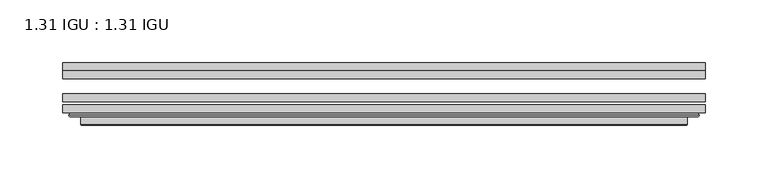
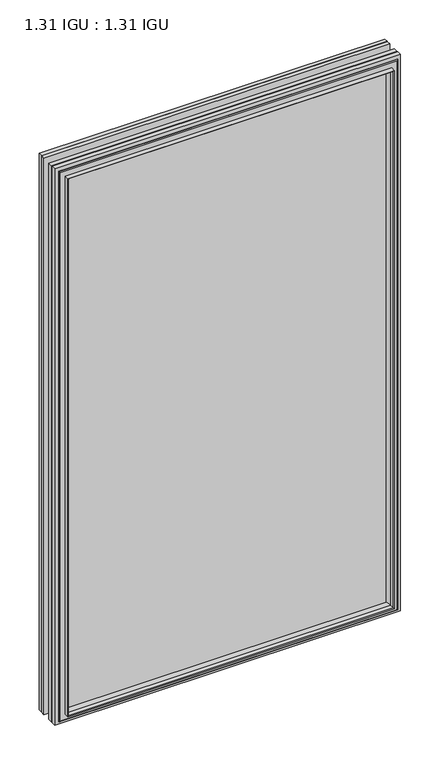
"""IFC4 building model written with IfcOpenShell, lengths in millimetres: plate geometry, 1.31 IGU : 1.31 IGU."""

from ifc_helpers import new_model, si_unit, frame, origin, place, context, project, spatial, polyline, ellipse_curve, outline, extrude, faceted_brep, source, transform, mapped, element, save
from ifc_brep_helpers import plane_surface, cylinder_surface, advanced_brep


def plate_1_31_igu_1_31_igu_44bf14a8(model_context):
    return source(origin(), model_context, "Body", "SolidModel", [
        extrude(outline(polyline([(255.601675, -66.4725937), (255.601675, -72.8225938), (-255.5875, -72.8225938), (-255.5875, -66.4725937), (255.601675, -66.4725937)])), frame((0.0, 0.0, -14.2875), z_axis=(0.0, 0.0, 1.0), x_axis=(1.0, 0.0, 0.0)), (0.0, 0.0, 1.0), 869.9537979),
        extrude(outline(polyline([(-255.5875, -81.4585938), (-255.5875, -75.1080887), (255.601675, -75.1080887), (255.601675, -81.4585938), (-255.5875, -81.4585938)])), frame((0.0, 0.0, -14.2875), z_axis=(0.0, 0.0, 1.0), x_axis=(1.0, 0.0, 0.0)), (0.0, 0.0, 1.0), 869.9537979),
        extrude(outline(polyline([(255.601675, -48.1337937), (255.601675, -54.4837938), (-255.5875, -54.4837938), (-255.5875, -48.1337937), (255.601675, -48.1337937)])), frame((0.0, 0.0, -14.2875), z_axis=(0.0, 0.0, 1.0), x_axis=(1.0, 0.0, 0.0)), (0.0, 0.0, 1.0), 869.9537979),
        faceted_brep([(-241.2946902, -41.7837938, 841.3696902), (-240.4022559, -48.1337937, 840.4772559), (-240.4022559, -48.1337937, 0.8977441), (-241.2946902, -41.7837938, 0.0053098), (-255.6002, -48.1337937, 855.6752), (-255.6002, -41.7837938, 855.6752), (-255.6002, -41.7837938, -14.3002), (-255.6002, -48.1337937, -14.3002), (240.4022559, -48.1337937, 0.8977441), (241.2946902, -41.7837938, 0.0053098), (255.6002, -41.7837938, -14.3002), (255.6002, -48.1337937, -14.3002), (240.4022559, -48.1337937, 840.4772559), (241.2946902, -41.7837938, 841.3696902), (255.6002, -41.7837938, 855.6752), (255.6002, -48.1337937, 855.6752)], [[[0, 1, 2, 3]], [[4, 5, 6, 7]], [[3, 2, 8, 9]], [[7, 6, 10, 11]], [[9, 8, 12, 13]], [[11, 10, 14, 15]], [[7, 11, 15, 4], [1, 12, 8, 2]], [[13, 12, 1, 0]], [[5, 14, 10, 6], [3, 9, 13, 0]], [[15, 14, 5, 4]]]),
        advanced_brep(
        [(-249.6986349, -84.6335938, 849.7736349), (-250.7004244, -83.4482604, 850.7754244), (-250.7004244, -83.4482604, -9.4004244), (-249.6986349, -84.6335938, -8.3986349), (-241.2945784, -91.0948368, 841.3695784), (-241.2945784, -84.6335938, 841.3695784), (-241.2945784, -84.6335938, 0.0054216), (-241.2945784, -91.0948368, 0.0054216), (-240.3039217, -90.6958619, 840.3789217), (-240.3039217, -90.6958619, 0.9960783), (-239.2718939, -85.2986307, 839.3468939), (-239.2718939, -85.2986307, 2.0281061), (-234.3370621, -81.4585938, 834.4120621), (-234.3370621, -81.4585938, 6.9629379), (-248.346219, -81.4585938, 848.421219), (-248.346219, -81.4585938, -7.046219), (250.7004244, -83.4482604, -9.4004244), (249.6986349, -84.6335938, -8.3986349), (241.2945784, -84.6335938, 0.0054216), (241.2945784, -91.0948368, 0.0054216), (240.3039217, -90.6958619, 0.9960783), (239.2718939, -85.2986307, 2.0281061), (234.3370621, -81.4585938, 6.9629379), (248.346219, -81.4585938, -7.046219), (250.7004244, -83.4482604, 850.7754244), (249.6986349, -84.6335938, 849.7736349), (241.2945784, -84.6335938, 841.3695784), (241.2945784, -91.0948368, 841.3695784), (240.3039217, -90.6958619, 840.3789217), (239.2718939, -85.2986307, 839.3468939), (234.3370621, -81.4585938, 834.4120621), (248.346219, -81.4585938, 848.421219)],
        [
            (0, 1, ellipse_curve(frame((-249.6986349, -83.6175938, 849.7736349), z_axis=(-0.7071067811865475, 0.0, -0.7071067811865475), x_axis=(-0.7071067811865474, 0.0, 0.7071067811865476)), 1.436841, 1.016)),
            (1, 2),
            (2, 3, ellipse_curve(frame((-249.6986349, -83.6175938, -8.3986349), z_axis=(-0.7071067811865475, 0.0, 0.7071067811865475), x_axis=(0.7071067811865474, 0.0, 0.7071067811865476)), 1.436841, 1.016)),
            (3, 0),
            (4, 5),
            (5, 6),
            (6, 7),
            (7, 4),
            (8, 4, ellipse_curve(frame((-240.9276219, -90.5766015, 841.0026219), z_axis=(-0.7071067811865475, 0.0, -0.7071067811865475), x_axis=(-0.7071067811865474, 0.0, 0.7071067811865476)), 0.8980256, 0.635)),
            (7, 9, ellipse_curve(frame((-240.9276219, -90.5766015, 0.3723781), z_axis=(-0.7071067811865475, 0.0, 0.7071067811865475), x_axis=(0.7071067811865474, 0.0, 0.7071067811865476)), 0.8980256, 0.635)),
            (9, 8),
            (10, 8),
            (9, 11),
            (11, 10),
            (12, 10),
            (11, 13),
            (13, 12),
            (1, 14, ellipse_curve(frame((-248.346219, -83.8461938, 848.421219), z_axis=(-0.7071067811865475, 0.0, -0.7071067811865475), x_axis=(-0.7071067811865474, 0.0, 0.7071067811865476)), 3.3765763, 2.3876)),
            (14, 15),
            (15, 2, ellipse_curve(frame((-248.346219, -83.8461938, -7.046219), z_axis=(-0.7071067811865475, 0.0, 0.7071067811865475), x_axis=(0.7071067811865474, 0.0, 0.7071067811865476)), 3.3765763, 2.3876)),
            (2, 16),
            (16, 17, ellipse_curve(frame((249.6986349, -83.6175938, -8.3986349), z_axis=(-0.7071067811865475, 0.0, -0.7071067811865475), x_axis=(-0.7071067811865476, 0.0, 0.7071067811865474)), 1.436841, 1.016)),
            (17, 3),
            (6, 18),
            (18, 19),
            (19, 7),
            (19, 20, ellipse_curve(frame((240.9276219, -90.5766015, 0.3723781), z_axis=(-0.7071067811865475, 0.0, -0.7071067811865475), x_axis=(-0.7071067811865476, 0.0, 0.7071067811865474)), 0.8980256, 0.635)),
            (20, 9),
            (20, 21),
            (21, 11),
            (21, 22),
            (22, 13),
            (15, 23),
            (23, 16, ellipse_curve(frame((248.346219, -83.8461938, -7.046219), z_axis=(-0.7071067811865475, 0.0, -0.7071067811865475), x_axis=(-0.7071067811865476, 0.0, 0.7071067811865474)), 3.3765763, 2.3876)),
            (16, 24),
            (24, 25, ellipse_curve(frame((249.6986349, -83.6175938, 849.7736349), z_axis=(0.7071067811865475, 0.0, -0.7071067811865475), x_axis=(-0.7071067811865474, 0.0, -0.7071067811865476)), 1.436841, 1.016)),
            (25, 17),
            (18, 26),
            (26, 27),
            (27, 19),
            (27, 28, ellipse_curve(frame((240.9276219, -90.5766015, 841.0026219), z_axis=(0.7071067811865475, 0.0, -0.7071067811865475), x_axis=(-0.7071067811865474, 0.0, -0.7071067811865476)), 0.8980256, 0.635)),
            (28, 20),
            (28, 29),
            (29, 21),
            (29, 30),
            (30, 22),
            (23, 31),
            (31, 24, ellipse_curve(frame((248.346219, -83.8461938, 848.421219), z_axis=(0.7071067811865475, 0.0, -0.7071067811865475), x_axis=(-0.7071067811865474, 0.0, -0.7071067811865476)), 3.3765763, 2.3876)),
            (24, 1),
            (0, 25),
            (5, 26),
            (4, 27),
            (8, 28),
            (10, 29),
            (12, 30),
            (14, 31),
        ],
        [
            cylinder_surface(frame((-249.6986349, -83.6175938, 873.125), z_axis=(0.0, 0.0, 1.0), x_axis=(-1.0, 0.0, 0.0)), 1.016),
            plane_surface(frame((-241.2945784, -84.6335938, 841.3695784), z_axis=(-1.0, 0.0, 0.0), x_axis=(0.0, 0.0, -1.0))),
            cylinder_surface(frame((-240.9276219, -90.5766015, 873.125), z_axis=(0.0, 0.0, 1.0), x_axis=(-1.0, 0.0, 0.0)), 0.635),
            plane_surface(frame((-240.3039217, -90.6958619, 840.3789217), z_axis=(0.9822050625507717, -0.1878116479338675, 0.0), x_axis=(0.0, 0.0, -1.0))),
            plane_surface(frame((-239.2718939, -85.2986307, 839.3468939), z_axis=(0.6141233906514726, -0.7892100234124875, 0.0), x_axis=(0.0, 0.0, -1.0))),
            cylinder_surface(frame((-248.346219, -83.8461938, 873.125), z_axis=(0.0, 0.0, 1.0), x_axis=(-1.0, 0.0, 0.0)), 2.3876),
            cylinder_surface(frame((-273.05, -83.6175938, -8.3986349), z_axis=(-1.0, 0.0, 0.0), x_axis=(0.0, 0.0, -1.0)), 1.016),
            plane_surface(frame((-241.2945784, -84.6335938, 0.0054216), z_axis=(0.0, 0.0, -1.0), x_axis=(1.0, 0.0, 0.0))),
            cylinder_surface(frame((-273.05, -90.5766015, 0.3723781), z_axis=(-1.0, 0.0, 0.0), x_axis=(0.0, 0.0, -1.0)), 0.635),
            plane_surface(frame((-240.3039217, -90.6958619, 0.9960783), z_axis=(0.0, -0.18781164793386435, 0.9822050625507722), x_axis=(1.0, 0.0, 0.0))),
            plane_surface(frame((-239.2718939, -85.2986307, 2.0281061), z_axis=(0.0, -0.7892100234124855, 0.6141233906514751), x_axis=(1.0, 0.0, 0.0))),
            cylinder_surface(frame((-273.05, -83.8461938, -7.046219), z_axis=(-1.0, 0.0, 0.0), x_axis=(0.0, 0.0, -1.0)), 2.3876),
            cylinder_surface(frame((249.6986349, -83.6175938, -31.75), z_axis=(0.0, 0.0, -1.0), x_axis=(1.0, 0.0, 0.0)), 1.016),
            plane_surface(frame((241.2945784, -84.6335938, 0.0054216), z_axis=(1.0, 0.0, 0.0), x_axis=(0.0, 0.0, 1.0))),
            cylinder_surface(frame((240.9276219, -90.5766015, -31.75), z_axis=(0.0, 0.0, -1.0), x_axis=(1.0, 0.0, 0.0)), 0.635),
            plane_surface(frame((240.3039217, -90.6958619, 0.9960783), z_axis=(-0.9822050625507728, -0.18781164793386118, 0.0), x_axis=(0.0, 0.0, 1.0))),
            plane_surface(frame((239.2718939, -85.2986307, 2.0281061), z_axis=(-0.6141233906514777, -0.7892100234124835, 0.0), x_axis=(0.0, 0.0, 1.0))),
            cylinder_surface(frame((248.346219, -83.8461938, -31.75), z_axis=(0.0, 0.0, -1.0), x_axis=(1.0, 0.0, 0.0)), 2.3876),
            cylinder_surface(frame((273.05, -83.6175938, 849.7736349), z_axis=(1.0, 0.0, 0.0), x_axis=(0.0, 0.0, 1.0)), 1.016),
            plane_surface(frame((249.6986349, -84.6335938, 849.7736349), z_axis=(0.0, -1.0, 0.0), x_axis=(-1.0, 0.0, 0.0))),
            plane_surface(frame((241.2945784, -84.6335938, 841.3695784), z_axis=(0.0, 0.0, 1.0), x_axis=(-1.0, 0.0, 0.0))),
            cylinder_surface(frame((273.05, -90.5766015, 841.0026219), z_axis=(1.0, 0.0, 0.0), x_axis=(0.0, 0.0, 1.0)), 0.635),
            plane_surface(frame((240.3039217, -90.6958619, 840.3789217), z_axis=(0.0, -0.18781164793386435, -0.9822050625507722), x_axis=(-1.0, 0.0, 0.0))),
            plane_surface(frame((239.2718939, -85.2986307, 839.3468939), z_axis=(0.0, -0.7892100234124855, -0.6141233906514751), x_axis=(-1.0, 0.0, 0.0))),
            plane_surface(frame((234.3370621, -81.4585938, 834.4120621), z_axis=(0.0, 1.0, 0.0), x_axis=(-1.0, 0.0, 0.0))),
            cylinder_surface(frame((273.05, -83.8461938, 848.421219), z_axis=(1.0, 0.0, 0.0), x_axis=(0.0, 0.0, 1.0)), 2.3876),
        ],
        [
            (0, [[1, 2, 3, 4]]),
            (1, [[5, 6, 7, 8]]),
            (2, [[9, -8, 10, 11]]),
            (3, [[12, -11, 13, 14]]),
            (4, [[15, -14, 16, 17]]),
            (5, [[18, 19, 20, -2]]),
            (6, [[-3, 21, 22, 23]]),
            (7, [[-7, 24, 25, 26]]),
            (8, [[-10, -26, 27, 28]]),
            (9, [[-13, -28, 29, 30]]),
            (10, [[-16, -30, 31, 32]]),
            (11, [[-20, 33, 34, -21]]),
            (12, [[-22, 35, 36, 37]]),
            (13, [[-25, 38, 39, 40]]),
            (14, [[-27, -40, 41, 42]]),
            (15, [[-29, -42, 43, 44]]),
            (16, [[-31, -44, 45, 46]]),
            (17, [[-34, 47, 48, -35]]),
            (18, [[-36, 49, -1, 50]]),
            (19, [[-23, -37, -50, -4], [51, -38, -24, -6]]),
            (20, [[-39, -51, -5, 52]]),
            (21, [[-41, -52, -9, 53]]),
            (22, [[-43, -53, -12, 54]]),
            (23, [[-45, -54, -15, 55]]),
            (24, [[56, -47, -33, -19], [-32, -46, -55, -17]]),
            (25, [[-48, -56, -18, -49]]),
        ],
    ),
    ])


if __name__ == "__main__":
    model = new_model("IFC4")
    model_context = context("Model", 3, world=origin())
    ifc_project = project(units=[si_unit("LENGTHUNIT", "METRE", prefix="MILLI")], contexts=[model_context])
    site = spatial("IfcSite", under=ifc_project)
    building = spatial("IfcBuilding", under=site)
    placement = place(None, origin())
    plate_1_31_igu_1_31_igu_shape = plate_1_31_igu_1_31_igu_44bf14a8(model_context)
    element("IfcPlate", 1, ObjectType="1.31 IGU : 1.31 IGU", at=placement, inside=building, context=model_context, shape_type="MappedRepresentation", body=[
        mapped(plate_1_31_igu_1_31_igu_shape, transform((0.0, 0.0, 0.0), x_axis=(1.0, 0.0, 0.0), y_axis=(0.0, 1.0, 0.0), z_axis=(0.0, 0.0, 1.0))),
    ])
    save(model, "model.ifc")
